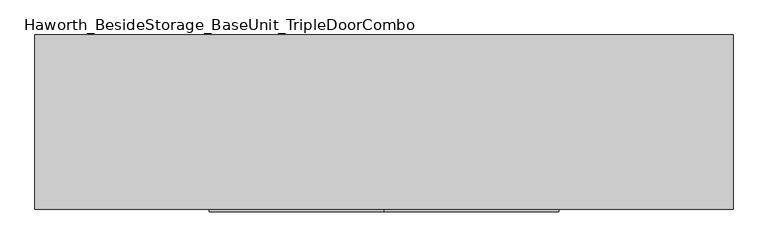
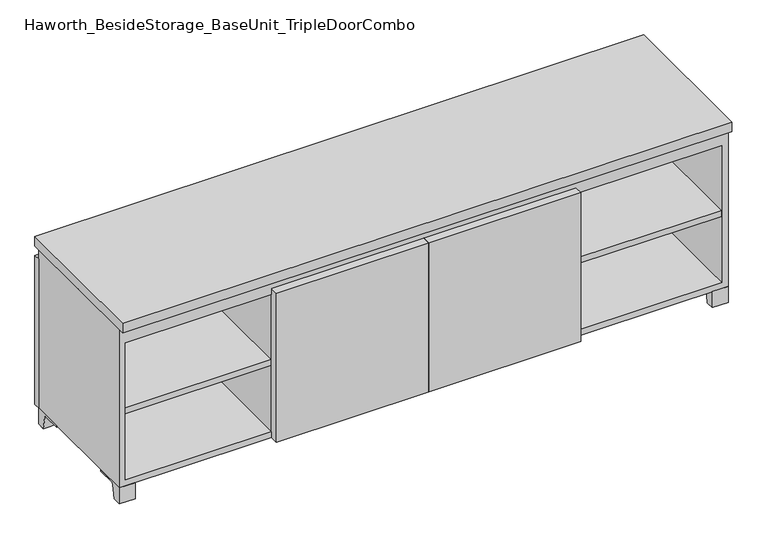
"""IFC4 building model written with IfcOpenShell, lengths in millimetres: furniture geometry, Haworth_BesideStorage_BaseUnit_TripleDoorCombo."""

from ifc_helpers import new_model, si_unit, point, frame, frame_2d, origin, place, context, project, spatial, polyline, circle_curve, trimmed, segment, composite_curve, outline, extrude, source, transform, mapped, element, save


def haworth_besidestorage_baseunit_tripledoorcombo_b103aa0a(model_context):
    return source(origin(), model_context, "Body", "SweptSolid", [
        extrude(outline(polyline([(457.2069453, 241.3), (895.3569453, 241.3), (895.3569453, -142.875), (457.2069453, -142.875), (457.2069453, 241.3)])), frame((0.0, 0.0, 277.8125), z_axis=(0.0, 0.0, 1.0), x_axis=(1.0, 0.0, 0.0)), (0.0, 0.0, 1.0), 19.05),
        extrude(outline(polyline([(-457.1791641, 241.3), (-457.1791641, -142.875), (-895.3291641, -142.875), (-895.3291641, 241.3), (-457.1791641, 241.3)])), frame((0.0, 0.0, 277.8125), z_axis=(0.0, 0.0, 1.0), x_axis=(1.0, 0.0, 0.0)), (0.0, 0.0, 1.0), 19.05),
        extrude(outline(polyline([(438.1638906, 241.3), (438.1638906, -142.875), (-438.1361094, -142.875), (-438.1361094, 241.3), (438.1638906, 241.3)])), frame((0.0, 0.0, 277.8125), z_axis=(0.0, 0.0, 1.0), x_axis=(1.0, 0.0, 0.0)), (0.0, 0.0, 1.0), 19.05),
        extrude(outline(composite_curve([segment(polyline([(47.6249864, 0.0), (22.225, 0.0), (22.225, 50.8), (117.475, 50.8), (117.475, 46.0213321), (60.6744655, 46.0213321)]), True, "CONTINUOUS"), segment(trimmed(circle_curve(frame_2d((60.6744655, 39.6713321)), 6.35), [point((60.6744655, 46.0213321))], [point((54.4108641, 40.7152656))], True, "CARTESIAN"), True, "CONTINUOUS"), segment(polyline([(54.4108641, 40.7152656), (47.6249864, 0.0)]), True, "CONTINUOUS")], self_intersect=False)), frame((-23.7986094, 0.0, 0.0), z_axis=(1.0, 0.0, 0.0), x_axis=(0.0, 1.0, 0.0)), (0.0, 0.0, 1.0), 47.625),
        extrude(outline(polyline([(914.4138906, 292.1), (914.4138906, -165.1), (-914.3861094, -165.1), (-914.3861094, 292.1), (914.4138906, 292.1)])), frame((0.0, 0.0, 554.0375), z_axis=(0.0, 0.0, 1.0), x_axis=(1.0, 0.0, 0.0)), (0.0, 0.0, 1.0), 30.1625),
        extrude(outline(composite_curve([segment(polyline([(-120.6500136, 0.0), (-146.05, 0.0), (-146.05, 50.8), (-50.8, 50.8), (-50.8, 46.0213321), (-107.6005345, 46.0213321)]), True, "CONTINUOUS"), segment(trimmed(circle_curve(frame_2d((-107.6005345, 39.6713321)), 6.35), [point((-107.6005345, 46.0213321))], [point((-113.8641359, 40.7152656))], True, "CARTESIAN"), True, "CONTINUOUS"), segment(polyline([(-113.8641359, 40.7152656), (-120.6500136, 0.0)]), True, "CONTINUOUS")], self_intersect=False)), frame((866.7888906, 0.0, 0.0), z_axis=(1.0, 0.0, 0.0), x_axis=(0.0, 1.0, 0.0)), (0.0, 0.0, 1.0), 47.625),
        extrude(outline(composite_curve([segment(polyline([(247.6500136, 0.0), (240.8641359, 40.7152656)]), True, "CONTINUOUS"), segment(trimmed(circle_curve(frame_2d((234.6005345, 39.6713321)), 6.35), [point((240.8641359, 40.7152656))], [point((234.6005345, 46.0213321))], True, "CARTESIAN"), True, "CONTINUOUS"), segment(polyline([(234.6005345, 46.0213321), (177.8, 46.0213321), (177.8, 50.8), (273.05, 50.8), (273.05, 0.0), (247.6500136, 0.0)]), True, "CONTINUOUS")], self_intersect=False)), frame((866.7888906, 0.0, 0.0), z_axis=(1.0, 0.0, 0.0), x_axis=(0.0, 1.0, 0.0)), (0.0, 0.0, 1.0), 47.625),
        extrude(outline(composite_curve([segment(polyline([(-120.6500136, 0.0), (-146.05, 0.0), (-146.05, 50.8), (-50.8, 50.8), (-50.8, 46.0213321), (-107.6005345, 46.0213321)]), True, "CONTINUOUS"), segment(trimmed(circle_curve(frame_2d((-107.6005345, 39.6713321)), 6.35), [point((-107.6005345, 46.0213321))], [point((-113.8641359, 40.7152656))], True, "CARTESIAN"), True, "CONTINUOUS"), segment(polyline([(-113.8641359, 40.7152656), (-120.6500136, 0.0)]), True, "CONTINUOUS")], self_intersect=False)), frame((-914.3861094, 0.0, 0.0), z_axis=(1.0, 0.0, 0.0), x_axis=(0.0, 1.0, 0.0)), (0.0, 0.0, 1.0), 47.625),
        extrude(outline(composite_curve([segment(polyline([(247.6500136, 0.0), (240.8641359, 40.7152656)]), True, "CONTINUOUS"), segment(trimmed(circle_curve(frame_2d((234.6005345, 39.6713321)), 6.35), [point((240.8641359, 40.7152656))], [point((234.6005345, 46.0213321))], True, "CARTESIAN"), True, "CONTINUOUS"), segment(polyline([(234.6005345, 46.0213321), (177.8, 46.0213321), (177.8, 50.8), (273.05, 50.8), (273.05, 0.0), (247.6500136, 0.0)]), True, "CONTINUOUS")], self_intersect=False)), frame((-914.3861094, 0.0, 0.0), z_axis=(1.0, 0.0, 0.0), x_axis=(0.0, 1.0, 0.0)), (0.0, 0.0, 1.0), 47.625),
        extrude(outline(polyline([(0.0138906, -171.45), (0.0138906, -146.05), (457.2138906, -146.05), (457.2138906, -171.45), (0.0138906, -171.45)])), frame((0.0, 0.0, 50.8), z_axis=(0.0, 0.0, 1.0), x_axis=(1.0, 0.0, 0.0)), (0.0, 0.0, 1.0), 473.075),
        extrude(outline(polyline([(0.0138906, -171.45), (-457.1861094, -171.45), (-457.1861094, -146.05), (0.0138906, -146.05), (0.0138906, -171.45)])), frame((0.0, 0.0, 50.8), z_axis=(0.0, 0.0, 1.0), x_axis=(1.0, 0.0, 0.0)), (0.0, 0.0, 1.0), 473.075),
        extrude(outline(polyline([(-888.9791641, -120.65), (-888.9791641, 247.65), (-873.1041641, 247.65), (-873.1041641, 73.025), (-7.9236094, 73.025), (-7.9236094, 247.65), (7.9513906, 247.65), (7.9513906, 73.025), (873.1111094, 73.025), (873.1111094, 247.65), (888.9861094, 247.65), (888.9861094, -120.65), (873.1111094, -120.65), (873.1111094, 53.975), (7.9513906, 53.975), (7.9513906, -120.65), (-7.9236094, -120.65), (-7.9236094, 53.975), (-873.1041641, 53.975), (-873.1041641, -120.65), (-888.9791641, -120.65)])), frame((0.0, 0.0, 523.875), z_axis=(0.0, 0.0, 1.0), x_axis=(1.0, 0.0, 0.0)), (0.0, 0.0, 1.0), 30.1625),
        extrude(outline(polyline([(457.2138906, 241.3), (457.2138906, -142.875), (438.1638906, -142.875), (438.1638906, 241.3), (457.2138906, 241.3)])), frame((0.0, 0.0, 69.85), z_axis=(0.0, 0.0, 1.0), x_axis=(1.0, 0.0, 0.0)), (0.0, 0.0, 1.0), 434.975),
        extrude(outline(polyline([(-438.1361094, 241.3), (-438.1361094, -142.875), (-457.1861094, -142.875), (-457.1861094, 241.3), (-438.1361094, 241.3)])), frame((0.0, 0.0, 69.85), z_axis=(0.0, 0.0, 1.0), x_axis=(1.0, 0.0, 0.0)), (0.0, 0.0, 1.0), 434.975),
        extrude(outline(polyline([(914.4138906, 273.05), (-914.3861094, 273.05), (-914.3861094, 292.1), (914.4138906, 292.1), (914.4138906, 273.05)])), frame((0.0, 0.0, 50.8), z_axis=(0.0, 0.0, 1.0), x_axis=(1.0, 0.0, 0.0)), (0.0, 0.0, 1.0), 473.075),
        extrude(outline(polyline([(50.8, -914.3861094), (50.8, 914.4138906), (554.0375, 914.4138906), (554.0375, -914.3861094), (50.8, -914.3861094)]), holes=[polyline([(69.85, -895.3361094), (504.825, -895.3361094), (504.825, 895.3569453), (69.85, 895.3569453), (69.85, -895.3361094)])]), frame((0.0, -146.05, 0.0), z_axis=(0.0, 1.0, 0.0), x_axis=(0.0, 0.0, 1.0)), (0.0, 0.0, 1.0), 419.1),
        extrude(outline(polyline([(-895.3291641, 241.3), (-895.3291641, 247.65), (895.3569453, 247.65), (895.3569453, 241.3), (-895.3291641, 241.3)])), frame((0.0, 0.0, 69.85), z_axis=(0.0, 0.0, 1.0), x_axis=(1.0, 0.0, 0.0)), (0.0, 0.0, 1.0), 434.975),
    ])


if __name__ == "__main__":
    model = new_model("IFC4")
    model_context = context("Model", 3, world=origin())
    ifc_project = project(units=[si_unit("LENGTHUNIT", "METRE", prefix="MILLI")], contexts=[model_context])
    site = spatial("IfcSite", under=ifc_project)
    building = spatial("IfcBuilding", under=site)
    placement = place(None, origin())
    haworth_besidestorage_baseunit_tripledoorcombo_shape = haworth_besidestorage_baseunit_tripledoorcombo_b103aa0a(model_context)
    element("IfcFurniture", 1, ObjectType="Haworth_BesideStorage_BaseUnit_TripleDoorCombo", at=placement, inside=building, context=model_context, shape_type="MappedRepresentation", body=[
        mapped(haworth_besidestorage_baseunit_tripledoorcombo_shape, transform((0.0, 0.0, 0.0), x_axis=(1.0, 0.0, 0.0), y_axis=(0.0, 1.0, 0.0), z_axis=(0.0, 0.0, 1.0))),
    ])
    save(model, "model.ifc")
